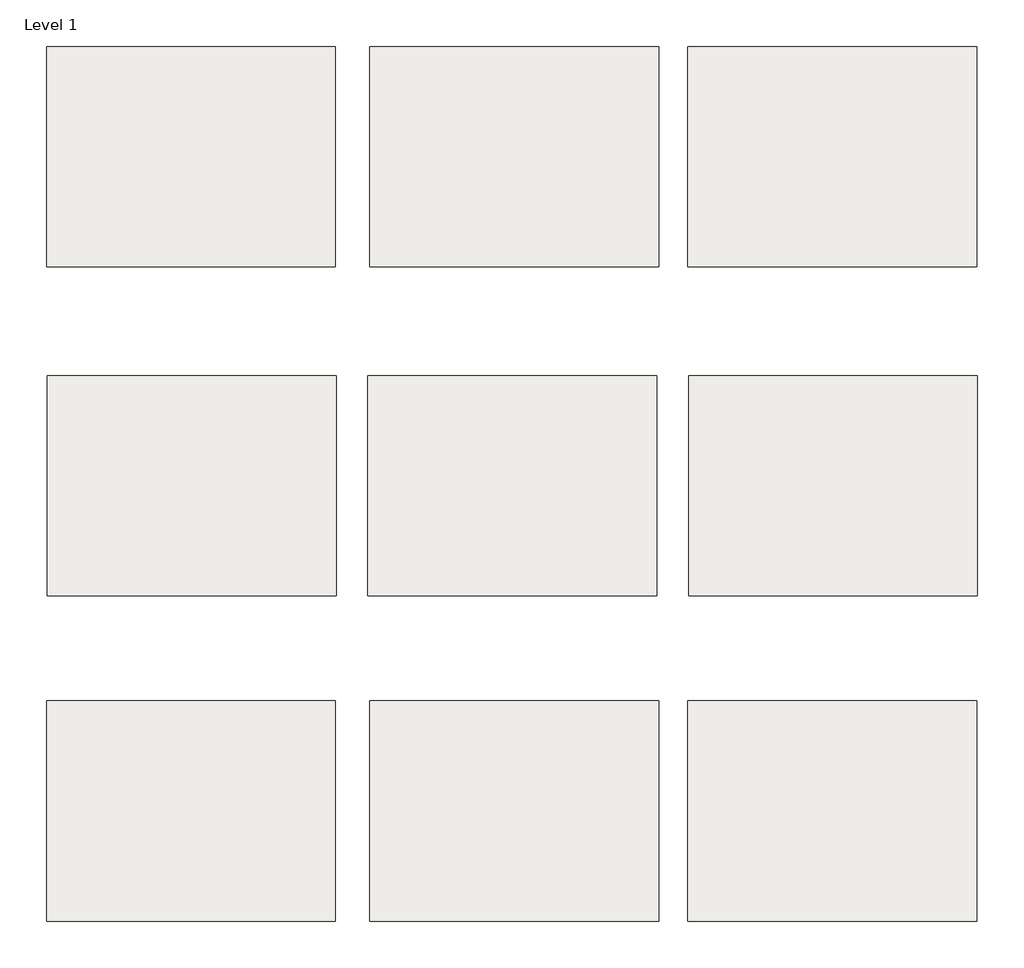
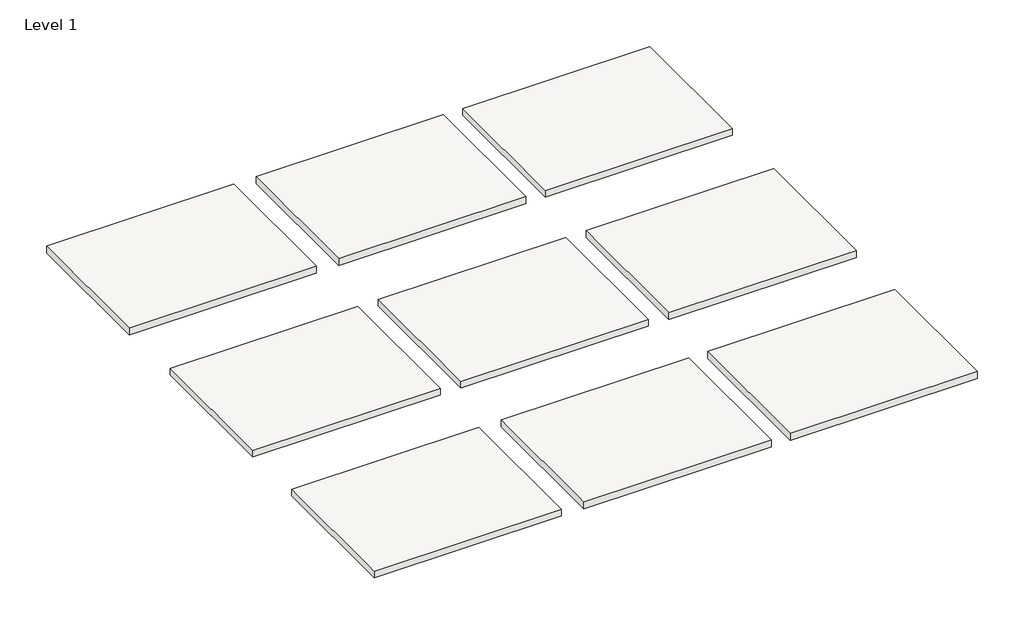
# One storey: 9 slabs.
"""IFC4 building model written with IfcOpenShell, lengths in millimetres."""

from ifc_helpers import new_model, si_unit, frame, origin, place, context, project, spatial, polyline, outline, extrude, element, save

model = new_model("IFC4")

# Units and contexts
model_context = context("Model", 3, world=origin())
ifc_project = project(units=[si_unit("LENGTHUNIT", "METRE", prefix="MILLI")], contexts=[model_context])

# Site, building, storey
site = spatial("IfcSite", under=ifc_project)
building = spatial("IfcBuilding", under=site)
storey = spatial("IfcBuildingStorey", under=building, Name="Level 1", Elevation=0.0)

# Slabs
placement = place(None, origin())
element("IfcSlab", 1, at=placement, inside=storey, context=model_context, shape_type="SweptSolid", body=[
    extrude(outline(polyline([(3816.1485671, 9251.5439198), (3816.1485671, 8965.7939198), (3441.4985671, 8965.7939198), (3441.4985671, 9251.5439198), (3816.1485671, 9251.5439198)])), frame((0.0, 0.0, -14.2875), z_axis=(0.0, 0.0, 1.0), x_axis=(1.0, 0.0, 0.0)), (0.0, 0.0, 1.0), 14.2875),
])
element("IfcSlab", 2, at=placement, inside=storey, context=model_context, shape_type="SweptSolid", body=[
    extrude(outline(polyline([(4235.2485671, 9251.5439198), (4235.2485671, 8965.7939198), (3860.5985671, 8965.7939198), (3860.5985671, 9251.5439198), (4235.2485671, 9251.5439198)])), frame((0.0, 0.0, -14.2875), z_axis=(0.0, 0.0, 1.0), x_axis=(1.0, 0.0, 0.0)), (0.0, 0.0, 1.0), 14.2875),
])
element("IfcSlab", 3, at=placement, inside=storey, context=model_context, shape_type="SweptSolid", body=[
    extrude(outline(polyline([(4647.9985671, 9251.5439198), (4647.9985671, 8965.7939198), (4273.3485671, 8965.7939198), (4273.3485671, 9251.5439198), (4647.9985671, 9251.5439198)])), frame((0.0, 0.0, -14.2875), z_axis=(0.0, 0.0, 1.0), x_axis=(1.0, 0.0, 0.0)), (0.0, 0.0, 1.0), 14.2875),
])
element("IfcSlab", 4, at=placement, inside=storey, context=model_context, shape_type="SweptSolid", body=[
    extrude(outline(polyline([(3816.9806356, 8824.8836482), (3816.9806356, 8539.1336482), (3442.3306356, 8539.1336482), (3442.3306356, 8824.8836482), (3816.9806356, 8824.8836482)])), frame((0.0, 0.0, -14.2875), z_axis=(0.0, 0.0, 1.0), x_axis=(1.0, 0.0, 0.0)), (0.0, 0.0, 1.0), 14.2875),
])
element("IfcSlab", 5, at=placement, inside=storey, context=model_context, shape_type="SweptSolid", body=[
    extrude(outline(polyline([(4232.9056356, 8824.8836482), (4232.9056356, 8539.1336482), (3858.2556356, 8539.1336482), (3858.2556356, 8824.8836482), (4232.9056356, 8824.8836482)])), frame((0.0, 0.0, -14.2875), z_axis=(0.0, 0.0, 1.0), x_axis=(1.0, 0.0, 0.0)), (0.0, 0.0, 1.0), 14.2875),
])
element("IfcSlab", 6, at=placement, inside=storey, context=model_context, shape_type="SweptSolid", body=[
    extrude(outline(polyline([(4648.8306356, 8824.8836482), (4648.8306356, 8539.1336482), (4274.1806356, 8539.1336482), (4274.1806356, 8824.8836482), (4648.8306356, 8824.8836482)])), frame((0.0, 0.0, -14.2875), z_axis=(0.0, 0.0, 1.0), x_axis=(1.0, 0.0, 0.0)), (0.0, 0.0, 1.0), 14.2875),
])
element("IfcSlab", 7, at=placement, inside=storey, context=model_context, shape_type="SweptSolid", body=[
    extrude(outline(polyline([(3816.2252042, 8402.9858765), (3816.2252042, 8117.2358765), (3441.5752042, 8117.2358765), (3441.5752042, 8402.9858765), (3816.2252042, 8402.9858765)])), frame((0.0, 0.0, -14.2875), z_axis=(0.0, 0.0, 1.0), x_axis=(1.0, 0.0, 0.0)), (0.0, 0.0, 1.0), 14.2875),
])
element("IfcSlab", 8, at=placement, inside=storey, context=model_context, shape_type="SweptSolid", body=[
    extrude(outline(polyline([(4235.3252042, 8402.9858765), (4235.3252042, 8117.2358765), (3860.6752042, 8117.2358765), (3860.6752042, 8402.9858765), (4235.3252042, 8402.9858765)])), frame((0.0, 0.0, -14.2875), z_axis=(0.0, 0.0, 1.0), x_axis=(1.0, 0.0, 0.0)), (0.0, 0.0, 1.0), 14.2875),
])
element("IfcSlab", 9, at=placement, inside=storey, context=model_context, shape_type="SweptSolid", body=[
    extrude(outline(polyline([(4648.0752042, 8402.9858765), (4648.0752042, 8117.2358765), (4273.4252042, 8117.2358765), (4273.4252042, 8402.9858765), (4648.0752042, 8402.9858765)])), frame((0.0, 0.0, -14.2875), z_axis=(0.0, 0.0, 1.0), x_axis=(1.0, 0.0, 0.0)), (0.0, 0.0, 1.0), 14.2875),
])

save(model, "model.ifc")
